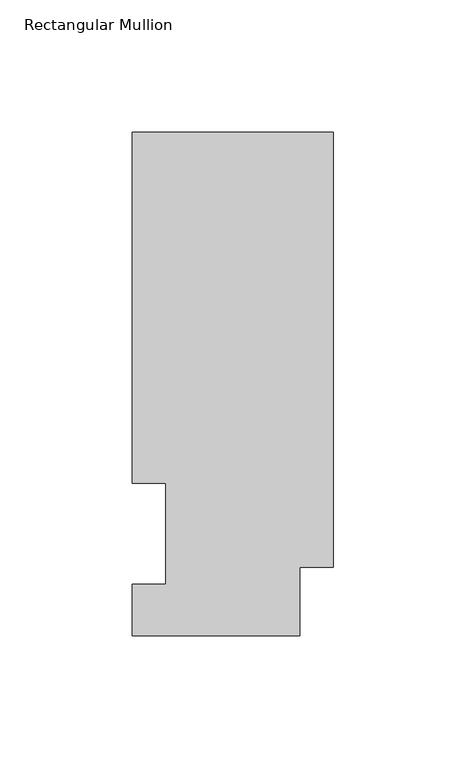
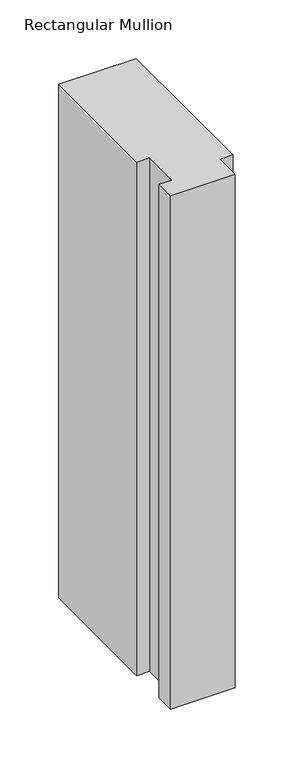
"""IFC4 building model written with IfcOpenShell, lengths in millimetres: member geometry, Rectangular Mullion."""

from ifc_helpers import new_model, si_unit, frame, origin, place, context, project, spatial, polyline, outline, extrude, source, transform, mapped, element, save


def rectangular_mullion_78ed420f(model_context):
    return source(origin(), model_context, "Body", "SweptSolid", [
        extrude(outline(polyline([(-76.2, 0.0134937), (-76.2, 19.5460937), (-63.5127, 19.5460937), (-63.5127, 57.6460937), (-76.2, 57.6460937), (-76.2, 190.5896937), (0.0, 190.5896937), (0.0, 25.8960937), (-12.7, 25.8960937), (-12.7, 0.0134937), (-76.2, 0.0134937)])), frame((0.0, 0.0, -533.4043756), z_axis=(0.0, 0.0, 1.0), x_axis=(1.0, 0.0, 0.0)), (0.0, 0.0, 1.0), 533.4043756),
    ])


if __name__ == "__main__":
    model = new_model("IFC4")
    model_context = context("Model", 3, world=origin())
    ifc_project = project(units=[si_unit("LENGTHUNIT", "METRE", prefix="MILLI")], contexts=[model_context])
    site = spatial("IfcSite", under=ifc_project)
    building = spatial("IfcBuilding", under=site)
    placement = place(None, origin())
    rectangular_mullion_shape = rectangular_mullion_78ed420f(model_context)
    element("IfcMember", 1, ObjectType="Rectangular Mullion", at=placement, inside=building, context=model_context, shape_type="MappedRepresentation", body=[
        mapped(rectangular_mullion_shape, transform((0.0, 0.0, 0.0), x_axis=(1.0, 0.0, 0.0), y_axis=(0.0, 1.0, 0.0), z_axis=(0.0, 0.0, 1.0))),
    ])
    save(model, "model.ifc")
